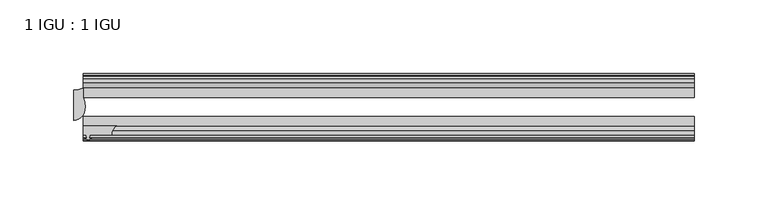
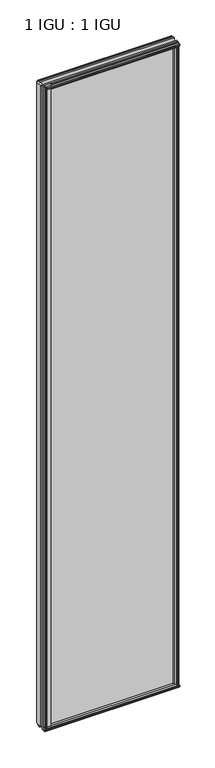
"""IFC4 building model written with IfcOpenShell, lengths in millimetres: plate geometry, 1 IGU : 1 IGU."""

import ifcopenshell
import ifcopenshell.guid

model = None  # the IFC model being written
_history = None  # IfcOwnerHistory: only IFC2X3 demands one
_inside = {}  # id of a spatial element -> (the spatial element, [elements in it])
_under = {}  # id of a project, library or spatial element -> (it, [spatial elements below it])
_declared = {}  # id of a project -> (the project, [libraries it declares])
_typed = {}  # id of a type object -> (the type object, [elements of that type])
_made_of = {}  # id of a material, layer set ... -> (it, [elements and type objects made of it])


def new_model(schema):
    """Start an empty IFC model of exactly this schema.

    Asked for "IFC4X3", IfcOpenShell would pick the latest addendum, in which some entities
    have other attributes; the version numbers below select the first issue.
    IFC2X3 requires an IfcOwnerHistory on every rooted entity: one is made here for all.
    """
    global model, _history
    if schema == "IFC4X3":
        model = ifcopenshell.file(schema_version=(4, 3, 0, 0))
    else:
        model = ifcopenshell.file(schema=schema)
    _inside.clear()
    _under.clear()
    _declared.clear()
    _typed.clear()
    _made_of.clear()
    _history = None
    if model.schema == "IFC2X3":
        org = make("IfcOrganization", Name="unknown")
        user = make(
            "IfcPersonAndOrganization",
            ThePerson=make("IfcPerson", FamilyName="unknown"),
            TheOrganization=org,
        )
        app = make(
            "IfcApplication",
            ApplicationDeveloper=org,
            Version="unknown",
            ApplicationFullName="unknown",
            ApplicationIdentifier="unknown",
        )
        _history = make(
            "IfcOwnerHistory",
            OwningUser=user,
            OwningApplication=app,
            ChangeAction="ADDED",
            CreationDate=0,
        )
    return model


def make(cls, **values):
    """One entity of the class cls with the attributes given. An attribute that is None is left unset."""
    return model.create_entity(
        cls, **{name: value for name, value in values.items() if value is not None}
    )


def rooted(cls, **values):
    """An entity with a GlobalId (a new one), such as an element, a storey or a relation."""
    return make(cls, GlobalId=ifcopenshell.guid.new(), OwnerHistory=_history, **values)


def si_unit(unit_type, name, prefix=None):
    """IfcSIUnit, for example si_unit("LENGTHUNIT", "METRE", prefix="MILLI")."""
    return make("IfcSIUnit", UnitType=unit_type, Prefix=prefix, Name=name)


def assignment(units):
    """IfcUnitAssignment: the units of a project."""
    return None if units is None else make("IfcUnitAssignment", Units=units)


def point(xyz):
    """IfcCartesianPoint."""
    return None if xyz is None else make("IfcCartesianPoint", Coordinates=xyz)


def direction(xyz):
    """IfcDirection."""
    return None if xyz is None else make("IfcDirection", DirectionRatios=xyz)


def frame(location, z_axis=None, x_axis=None):
    """IfcAxis2Placement3D, a coordinate frame: its origin and axes. An axis left out is left unset."""
    return make(
        "IfcAxis2Placement3D",
        Location=point(location),
        Axis=direction(z_axis),
        RefDirection=direction(x_axis),
    )


def frame_2d(location, x_axis=None):
    """IfcAxis2Placement2D, a coordinate frame in the plane: its origin and x axis."""
    return make(
        "IfcAxis2Placement2D", Location=point(location), RefDirection=direction(x_axis)
    )


def origin():
    """The frame at (0, 0, 0) with its axes left unset."""
    return frame((0.0, 0.0, 0.0))


def origin_with_axes():
    """The frame at (0, 0, 0) with the z axis (0, 0, 1) and the x axis (1, 0, 0) written out."""
    return frame((0.0, 0.0, 0.0), z_axis=(0.0, 0.0, 1.0), x_axis=(1.0, 0.0, 0.0))


def place(relative_to, where):
    """IfcLocalPlacement: puts the frame where relative to a parent placement (None: the world)."""
    return make(
        "IfcLocalPlacement", PlacementRelTo=relative_to, RelativePlacement=where
    )


def context(
    kind, dimensions, precision=None, world=None, true_north=None, identifier=None
):
    """IfcGeometricRepresentationContext, for example the 3D "Model" context."""
    return make(
        "IfcGeometricRepresentationContext",
        ContextIdentifier=identifier,
        ContextType=kind,
        CoordinateSpaceDimension=dimensions,
        Precision=precision,
        WorldCoordinateSystem=world,
        TrueNorth=true_north,
    )


def project(units=None, contexts=None):
    """IfcProject with its units and contexts."""
    return rooted(
        "IfcProject",
        Name="project",
        RepresentationContexts=contexts,
        UnitsInContext=assignment(units),
    )


def spatial(cls, under=None, at=None, **own):
    """A site, building, storey or space (cls), placed at a placement, below another one or the project."""
    s = rooted(cls, ObjectPlacement=at, **own)
    if under is not None:
        _under.setdefault(under.id(), (under, []))[1].append(s)
    return s


def polyline(points):
    """IfcPolyline through the points."""
    return make("IfcPolyline", Points=[point(p) for p in points])


def circle_curve(where, radius):
    """IfcCircle in the frame where."""
    return make("IfcCircle", Position=where, Radius=radius)


def ellipse_curve(where, semi_axis1, semi_axis2):
    """IfcEllipse in the frame where."""
    return make(
        "IfcEllipse", Position=where, SemiAxis1=semi_axis1, SemiAxis2=semi_axis2
    )


def trimmed(basis, trim1, trim2, sense, master):
    """IfcTrimmedCurve: the piece of a basis curve between two trims."""
    return make(
        "IfcTrimmedCurve",
        BasisCurve=basis,
        Trim1=trim1,
        Trim2=trim2,
        SenseAgreement=sense,
        MasterRepresentation=master,
    )


def segment(curve, same_sense, transition):
    """IfcCompositeCurveSegment."""
    return make(
        "IfcCompositeCurveSegment",
        Transition=transition,
        SameSense=same_sense,
        ParentCurve=curve,
    )


def composite_curve(segments, self_intersect=None):
    """IfcCompositeCurve: segments joined end to end."""
    return make("IfcCompositeCurve", Segments=segments, SelfIntersect=self_intersect)


def outline(outer, holes=None, kind="AREA"):
    """IfcArbitraryClosedProfileDef: a profile drawn as a closed curve; with holes, ...WithVoids."""
    if holes is None:
        return make("IfcArbitraryClosedProfileDef", ProfileType=kind, OuterCurve=outer)
    return make(
        "IfcArbitraryProfileDefWithVoids",
        ProfileType=kind,
        OuterCurve=outer,
        InnerCurves=holes,
    )


def extrude(swept, where, along, depth):
    """IfcExtrudedAreaSolid: the profile swept, set in the frame where, extruded along a direction by depth."""
    return make(
        "IfcExtrudedAreaSolid",
        SweptArea=swept,
        Position=where,
        ExtrudedDirection=direction(along),
        Depth=depth,
    )


def shape(context_of_items, identifier, shape_type, items):
    """IfcShapeRepresentation: the items that make up one representation, for example the "Body"."""
    return make(
        "IfcShapeRepresentation",
        ContextOfItems=context_of_items,
        RepresentationIdentifier=identifier,
        RepresentationType=shape_type,
        Items=items,
    )


def source(mapping_origin, context_of_items, identifier, shape_type, items):
    """IfcRepresentationMap: a shape defined once, which mapped items show again and again."""
    return make(
        "IfcRepresentationMap",
        MappingOrigin=mapping_origin,
        MappedRepresentation=shape(context_of_items, identifier, shape_type, items),
    )


def transform(
    local_origin,
    x_axis=None,
    y_axis=None,
    z_axis=None,
    scale=None,
    scale2=None,
    scale3=None,
    uniform=True,
):
    """IfcCartesianTransformationOperator3D, or its non-uniform kind. x_axis, y_axis, z_axis: its Axis1, 2, 3."""
    if uniform:
        return make(
            "IfcCartesianTransformationOperator3D",
            Axis1=direction(x_axis),
            Axis2=direction(y_axis),
            LocalOrigin=point(local_origin),
            Scale=scale,
            Axis3=direction(z_axis),
        )
    return make(
        "IfcCartesianTransformationOperator3DnonUniform",
        Axis1=direction(x_axis),
        Axis2=direction(y_axis),
        LocalOrigin=point(local_origin),
        Scale=scale,
        Axis3=direction(z_axis),
        Scale2=scale2,
        Scale3=scale3,
    )


def mapped(mapping_source, mapping_target):
    """IfcMappedItem: shows the shape of a source again, moved by a transform."""
    return make(
        "IfcMappedItem", MappingSource=mapping_source, MappingTarget=mapping_target
    )


def made_of(thing, what):
    """Note that an element or type object is made of a material, layer set ...; save() writes the relation."""
    if what is not None:
        _made_of.setdefault(what.id(), (what, []))[1].append(thing)
    return thing


def element(
    cls,
    number,
    at=None,
    inside=None,
    cuts=None,
    type_object=None,
    material=None,
    context=None,
    identifier="Body",
    shape_type=None,
    held_by="IfcProductDefinitionShape",
    body=None,
    shapes=None,
    **own,
):
    """One element of the class cls, such as IfcWall. Its Tag is "e" and its number.

    at: its placement. inside: the storey or other place that contains it. cuts: it is an
    opening in that element (IfcRelVoidsElement). A single representation is given by context,
    identifier, shape_type and body (its items); several are given by shapes. held_by: the class
    of the entity that holds the representations. save() writes the other relations.
    """
    e = rooted(cls, Tag="e%d" % number, ObjectPlacement=at, **own)
    if body is not None:
        shapes = [shape(context, identifier, shape_type, body)]
    if shapes is not None:
        e.Representation = make(held_by, Representations=shapes)
    if inside is not None:
        _inside.setdefault(inside.id(), (inside, []))[1].append(e)
    if cuts is not None:
        rooted(
            "IfcRelVoidsElement", RelatingBuildingElement=cuts, RelatedOpeningElement=e
        )
    if type_object is not None:
        _typed.setdefault(type_object.id(), (type_object, []))[1].append(e)
    return made_of(e, material)


def aggregate(whole, parts):
    """IfcRelAggregates: a whole, such as a stair, and the parts it consists of."""
    return rooted("IfcRelAggregates", RelatingObject=whole, RelatedObjects=parts)


def save(model, path):
    """Write the relations noted so far, then the file.

    IfcRelAggregates (storeys below a building ...), IfcRelContainedInSpatialStructure (elements
    in a storey), IfcRelDefinesByType, IfcRelAssociatesMaterial and IfcRelDeclares: one each for
    every whole, place, type object, material and project.
    """
    for whole, parts in _under.values():
        aggregate(whole, parts)
    for where, things in _inside.values():
        rooted(
            "IfcRelContainedInSpatialStructure",
            RelatedElements=things,
            RelatingStructure=where,
        )
    for kind, things in _typed.values():
        rooted("IfcRelDefinesByType", RelatedObjects=things, RelatingType=kind)
    for what, things in _made_of.values():
        rooted("IfcRelAssociatesMaterial", RelatedObjects=things, RelatingMaterial=what)
    for by, libraries in _declared.values():
        rooted("IfcRelDeclares", RelatingContext=by, RelatedDefinitions=libraries)
    model.write(path)


def plane_surface(at):
    """IfcPlane: the flat surface through the origin of the frame at, square to its z axis."""
    return make("IfcPlane", Position=at)


def cylinder_surface(at, radius):
    """IfcCylindricalSurface: all points at the distance radius from the z axis of the frame at."""
    return make("IfcCylindricalSurface", Position=at, Radius=radius)


def revolved_surface(curve, axis_point, axis_direction):
    """IfcSurfaceOfRevolution: the curve turned about the line through axis_point along axis_direction."""
    return make(
        "IfcSurfaceOfRevolution",
        SweptCurve=make("IfcArbitraryOpenProfileDef", ProfileType="CURVE", Curve=curve),
        AxisPosition=make("IfcAxis1Placement", Location=point(axis_point), Axis=direction(axis_direction)),
    )


def extruded_surface(curve, direction_of_extrusion, depth):
    """IfcSurfaceOfLinearExtrusion: the curve pushed along a direction by depth."""
    return make(
        "IfcSurfaceOfLinearExtrusion",
        SweptCurve=make("IfcArbitraryOpenProfileDef", ProfileType="CURVE", Curve=curve),
        ExtrudedDirection=direction(direction_of_extrusion),
        Depth=depth,
    )


def advanced_brep(points, edges, surfaces, faces):
    """IfcAdvancedBrep: a solid bounded by faces that lie on surfaces and meet in shared edges.

    An edge is (start, end): straight between two places in points (the first is 0);
    or (start, end, curve); or (start, end, curve, False) where it runs against its curve.
    A face is (place in surfaces, loops), or (place, loops, False) where it looks against
    its surface's normal. A loop lists edges by number (the first is 1), with a minus sign
    where the edge is run from its end to its start. The first loop is the outer one.
    """
    corners = [point(p) for p in points]
    vertices = [make("IfcVertexPoint", VertexGeometry=c) for c in corners]
    made = []
    for start, end, *more in edges:
        made.append(
            make(
                "IfcEdgeCurve",
                EdgeStart=vertices[start],
                EdgeEnd=vertices[end],
                EdgeGeometry=more[0] if more else make("IfcPolyline", Points=[corners[start], corners[end]]),
                SameSense=more[1] if len(more) > 1 else True,
            )
        )
    hull = []
    for where, loops, *sense in faces:
        bounds = []
        for j, loop in enumerate(loops):
            ring = [make("IfcOrientedEdge", EdgeElement=made[abs(k) - 1], Orientation=k > 0) for k in loop]
            bounds.append(
                make(
                    "IfcFaceOuterBound" if j == 0 else "IfcFaceBound",
                    Bound=make("IfcEdgeLoop", EdgeList=ring),
                    Orientation=True,
                )
            )
        hull.append(make("IfcAdvancedFace", Bounds=bounds, FaceSurface=surfaces[where], SameSense=sense[0] if sense else True))
    return make("IfcAdvancedBrep", Outer=make("IfcClosedShell", CfsFaces=hull))


def plate_1_igu_1_igu_99ef4534(model_context):
    return source(origin(), model_context, "Body", "SolidModel", [
        extrude(outline(composite_curve([segment(trimmed(circle_curve(frame_2d((-183.018843, -51.2493858)), 7.4386445), [point((-186.9687723, -44.9460937))], [point((-190.4573409, -51.2960937))], True, "CARTESIAN"), True, "CONTINUOUS"), segment(polyline([(-190.4573409, -51.2960937), (-205.0623409, -51.2960937), (-205.3798409, -53.4006957), (-204.173935, -53.0775742), (-204.173935, -53.8927506), (-206.3323409, -54.4710937), (-208.4907468, -53.8927506), (-208.4907468, -53.0775742), (-207.2848409, -53.4006957), (-207.6023409, -51.2960937), (-209.5073409, -51.2960937), (-209.5073409, -44.9460937), (-186.9687723, -44.9460937)]), True, "CONTINUOUS")], self_intersect=False)), origin_with_axes(), (0.0, 0.0, 1.0), 2082.7872998),
        extrude(outline(polyline([(188.8715546, -19.5460937), (190.9768317, -13.1960937), (196.1840261, -13.1960937), (196.5650261, -10.8158968), (195.1494971, -11.27583), (195.1494971, -10.4746158), (197.3270261, -9.7670937), (199.5045552, -10.4746158), (199.5045552, -11.27583), (198.0890261, -10.8158968), (198.4700261, -13.1960937), (202.9150261, -13.1960937), (202.9150261, -16.1419073), (200.7019486, -19.5460937), (188.8715546, -19.5460937)])), origin_with_axes(), (0.0, 0.0, 1.0), 2070.1),
        extrude(outline(polyline([(-16.1419073, -12.4576852), (-19.5460937, -10.2446077), (-19.5460937, 1.5857863), (-13.1960937, -0.5194908), (-13.1960937, -5.7266852), (-10.8158968, -6.1076852), (-11.27583, -4.6921562), (-10.4746158, -4.6921562), (-9.7670937, -6.8696852), (-10.4746158, -9.0472143), (-11.27583, -9.0472143), (-10.8158968, -7.6316852), (-13.1960937, -8.0126852), (-13.1960937, -12.4576852), (-16.1419073, -12.4576852)])), frame((-209.5073409, 0.0, 0.0), z_axis=(1.0, 0.0, 0.0), x_axis=(0.0, 1.0, 0.0)), (0.0, 0.0, 1.0), 412.6646818),
        extrude(outline(polyline([(-48.3502802, -11.938), (-51.2960937, -11.938), (-51.2960937, -7.493), (-53.6762907, -7.112), (-53.2163575, -8.5275291), (-54.0175717, -8.5275291), (-54.7250937, -6.35), (-54.0175717, -4.172471), (-53.2163575, -4.172471), (-53.6762907, -5.588), (-51.2960937, -5.207), (-51.2960937, 0.0001944), (-44.9460937, 2.1054715), (-44.9460937, -9.7249225), (-48.3502802, -11.938)])), frame((-209.5073409, 0.0, 0.0), z_axis=(1.0, 0.0, 0.0), x_axis=(0.0, 1.0, 0.0)), (0.0, 0.0, 1.0), 412.6646818),
        extrude(outline(polyline([(-16.1028367, 2082.5576852), (-13.1960937, 2082.5576852), (-13.1960937, 2078.1126852), (-10.8158968, 2077.7316852), (-11.27583, 2079.1472143), (-10.4746158, 2079.1472143), (-9.7670937, 2076.9696852), (-10.4746158, 2074.7921562), (-11.27583, 2074.7921562), (-10.8158968, 2076.2076852), (-13.1960937, 2075.8266852), (-13.1960937, 2070.5940908), (-19.5460937, 2068.4888137), (-19.5460937, 2080.3192077), (-16.1028367, 2082.5576852)])), frame((-209.5073409, 0.0, 0.0), z_axis=(1.0, 0.0, 0.0), x_axis=(0.0, 1.0, 0.0)), (0.0, 0.0, 1.0), 412.6646818),
        extrude(outline(polyline([(-48.3893508, 2082.0126), (-44.9460937, 2079.7741225), (-44.9460937, 2067.9437285), (-51.2960937, 2070.0490056), (-51.2960937, 2075.2816), (-53.6762907, 2075.6626), (-53.2163575, 2074.2470709), (-54.0175717, 2074.2470709), (-54.7250938, 2076.4246), (-54.0175717, 2078.602129), (-53.2163575, 2078.602129), (-53.6762907, 2077.1866), (-51.2960937, 2077.5676), (-51.2960937, 2082.0126), (-48.3893508, 2082.0126)])), frame((-209.5073409, 0.0, 0.0), z_axis=(1.0, 0.0, 0.0), x_axis=(0.0, 1.0, 0.0)), (0.0, 0.0, 1.0), 412.6646818),
        advanced_brep(
        [(-215.8573409, -41.2564987, 2082.7872998), (-208.3350038, -32.2460937, 2082.7872998), (-209.5073409, -25.8452937, 2082.7872998), (-209.5073409, -19.5460937, 2082.7872998), (-215.8573409, -20.7775816, 2082.7872998), (-215.8573409, -41.2564987, 0.0), (-215.8573409, -20.7775816, 0.0), (-209.5073409, -19.5460937, 0.0), (-209.5073409, -25.8452937, 0.0), (-208.3350038, -32.2460937, 0.0)],
        [
            (0, 1, ellipse_curve(frame((-215.8573409, -32.2460937, 2082.7872998), z_axis=(0.0, 0.0, 1.0), x_axis=(0.0, 1.0, 0.0)), 9.010405, 7.5223372)),
            (1, 2, circle_curve(frame((-226.3949172, -32.2460937, 2082.7872998), z_axis=(0.0, 0.0, 1.0), x_axis=(0.0, 1.0, 0.0)), 18.0599135)),
            (2, 3),
            (3, 4, circle_curve(frame((-215.8573409, -3.7903806, 2082.7872998), z_axis=(0.0, 0.0, -1.0), x_axis=(0.0, 1.0, 0.0)), 16.987201)),
            (4, 0),
            (5, 6),
            (6, 7, circle_curve(frame((-215.8573409, -3.7903806, 0.0), z_axis=(0.0, 0.0, 1.0), x_axis=(0.0, 1.0, 0.0)), 16.987201)),
            (7, 8),
            (8, 9, circle_curve(frame((-226.3949172, -32.2460937, 0.0), z_axis=(0.0, 0.0, -1.0), x_axis=(0.0, 1.0, 0.0)), 18.0599135)),
            (9, 5, ellipse_curve(frame((-215.8573409, -32.2460937, 0.0), z_axis=(0.0, 0.0, -1.0), x_axis=(0.0, 1.0, 0.0)), 9.010405, 7.5223372)),
            (0, 5),
            (9, 1),
            (4, 6),
            (8, 2),
            (7, 3),
        ],
        [
            plane_surface(frame((-190.4573409, -13.1960937, 2082.7872998), z_axis=(0.0, 0.0, 1.0), x_axis=(0.0, 1.0, 0.0))),
            plane_surface(frame((-190.4573409, -13.1960937, 0.0), z_axis=(0.0, 0.0, -1.0), x_axis=(0.0, 1.0, 0.0))),
            extruded_surface(trimmed(ellipse_curve(frame((-215.8573409, -32.2460937, 0.0), z_axis=(0.0, 0.0, 1.0), x_axis=(0.0, 1.0, 0.0)), 9.010405, 7.5223372), [point((-215.8573409, -41.2564987, 0.0))], [point((-208.3350038, -32.2460937, 0.0))], True, "CARTESIAN"), (0.0, 0.0, 2082.7872998), 2082.7872998),
            plane_surface(frame((-215.8573409, -20.7775816, 2082.7872998), z_axis=(-1.0, 0.0, 0.0), x_axis=(0.0, 0.0, -1.0))),
            cylinder_surface(frame((-226.3949172, -32.2460937, 2082.7872998), z_axis=(0.0, 0.0, 1.0), x_axis=(0.0, 1.0, 0.0)), 18.0599135),
            plane_surface(frame((-209.5073409, -25.8452937, 2082.7872998), z_axis=(1.0, 0.0, 0.0), x_axis=(0.0, 0.0, -1.0))),
            revolved_surface(polyline([(-215.8573409, 13.196820399999998, 0.0), (-215.8573409, 13.196820399999998, 2082.7872998)]), (-215.8573409, -3.7903806, 2082.7872998), (0.0, 0.0, -1.0)),
        ],
        [
            (0, [[1, 2, 3, 4, 5]]),
            (1, [[6, 7, 8, 9, 10]]),
            (2, [[-1, 11, -10, 12]]),
            (3, [[-5, 13, -6, -11]]),
            (4, [[-2, -12, -9, 14]]),
            (5, [[-3, -14, -8, 15]]),
            (6, [[-4, -15, -7, -13]]),
        ],
    ),
        extrude(outline(polyline([(188.3518694, -44.9460938), (200.1822634, -44.9460938), (202.3953409, -48.3502802), (202.3953409, -51.2960938), (197.9503409, -51.2960938), (197.5693409, -53.6762907), (198.98487, -53.2163575), (198.98487, -54.0175717), (196.8073409, -54.7250938), (194.6298119, -54.0175717), (194.6298119, -53.2163575), (196.0453409, -53.6762907), (195.6643409, -51.2960938), (190.4571465, -51.2960938), (188.3518694, -44.9460938)])), origin_with_axes(), (0.0, 0.0, 1.0), 2070.1),
        extrude(outline(polyline([(203.1573409, -19.5460937), (203.1573409, -25.8337453), (-209.5073409, -25.8337453), (-209.5073409, -19.5460937), (203.1573409, -19.5460937)])), frame((0.0, 0.0, -12.7), z_axis=(0.0, 0.0, 1.0), x_axis=(1.0, 0.0, 0.0)), (0.0, 0.0, 1.0), 2095.4872998),
        extrude(outline(polyline([(-209.5073409, -44.9460937), (-209.5073409, -38.6468938), (203.1573409, -38.6468938), (203.1573409, -44.9460937), (-209.5073409, -44.9460937)])), frame((0.0, 0.0, -12.7), z_axis=(0.0, 0.0, 1.0), x_axis=(1.0, 0.0, 0.0)), (0.0, 0.0, 1.0), 2095.4872998),
    ])


if __name__ == "__main__":
    model = new_model("IFC4")
    model_context = context("Model", 3, world=origin())
    ifc_project = project(units=[si_unit("LENGTHUNIT", "METRE", prefix="MILLI")], contexts=[model_context])
    site = spatial("IfcSite", under=ifc_project)
    building = spatial("IfcBuilding", under=site)
    placement = place(None, origin())
    plate_1_igu_1_igu_shape = plate_1_igu_1_igu_99ef4534(model_context)
    element("IfcPlate", 1, ObjectType="1 IGU : 1 IGU", at=placement, inside=building, context=model_context, shape_type="MappedRepresentation", body=[
        mapped(plate_1_igu_1_igu_shape, transform((0.0, 0.0, 0.0), x_axis=(1.0, 0.0, 0.0), y_axis=(0.0, 1.0, 0.0), z_axis=(0.0, 0.0, 1.0))),
    ])
    save(model, "model.ifc")
